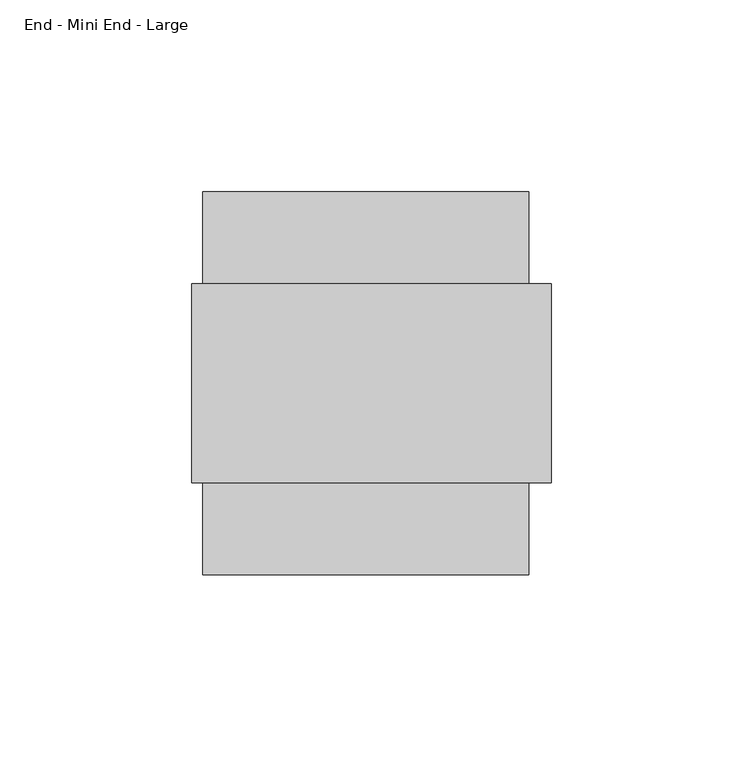
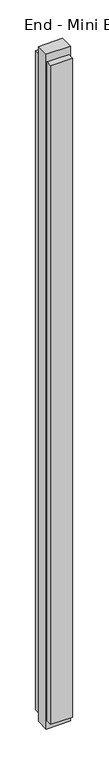
"""IFC4 building model written with IfcOpenShell, lengths in millimetres: furniture geometry, End - Mini End - Large."""

import ifcopenshell
import ifcopenshell.guid

model = None  # the IFC model being written
_history = None  # IfcOwnerHistory: only IFC2X3 demands one
_inside = {}  # id of a spatial element -> (the spatial element, [elements in it])
_under = {}  # id of a project, library or spatial element -> (it, [spatial elements below it])
_declared = {}  # id of a project -> (the project, [libraries it declares])
_typed = {}  # id of a type object -> (the type object, [elements of that type])
_made_of = {}  # id of a material, layer set ... -> (it, [elements and type objects made of it])


def new_model(schema):
    """Start an empty IFC model of exactly this schema.

    Asked for "IFC4X3", IfcOpenShell would pick the latest addendum, in which some entities
    have other attributes; the version numbers below select the first issue.
    IFC2X3 requires an IfcOwnerHistory on every rooted entity: one is made here for all.
    """
    global model, _history
    if schema == "IFC4X3":
        model = ifcopenshell.file(schema_version=(4, 3, 0, 0))
    else:
        model = ifcopenshell.file(schema=schema)
    _inside.clear()
    _under.clear()
    _declared.clear()
    _typed.clear()
    _made_of.clear()
    _history = None
    if model.schema == "IFC2X3":
        org = make("IfcOrganization", Name="unknown")
        user = make(
            "IfcPersonAndOrganization",
            ThePerson=make("IfcPerson", FamilyName="unknown"),
            TheOrganization=org,
        )
        app = make(
            "IfcApplication",
            ApplicationDeveloper=org,
            Version="unknown",
            ApplicationFullName="unknown",
            ApplicationIdentifier="unknown",
        )
        _history = make(
            "IfcOwnerHistory",
            OwningUser=user,
            OwningApplication=app,
            ChangeAction="ADDED",
            CreationDate=0,
        )
    return model


def make(cls, **values):
    """One entity of the class cls with the attributes given. An attribute that is None is left unset."""
    return model.create_entity(
        cls, **{name: value for name, value in values.items() if value is not None}
    )


def rooted(cls, **values):
    """An entity with a GlobalId (a new one), such as an element, a storey or a relation."""
    return make(cls, GlobalId=ifcopenshell.guid.new(), OwnerHistory=_history, **values)


def si_unit(unit_type, name, prefix=None):
    """IfcSIUnit, for example si_unit("LENGTHUNIT", "METRE", prefix="MILLI")."""
    return make("IfcSIUnit", UnitType=unit_type, Prefix=prefix, Name=name)


def assignment(units):
    """IfcUnitAssignment: the units of a project."""
    return None if units is None else make("IfcUnitAssignment", Units=units)


def point(xyz):
    """IfcCartesianPoint."""
    return None if xyz is None else make("IfcCartesianPoint", Coordinates=xyz)


def direction(xyz):
    """IfcDirection."""
    return None if xyz is None else make("IfcDirection", DirectionRatios=xyz)


def frame(location, z_axis=None, x_axis=None):
    """IfcAxis2Placement3D, a coordinate frame: its origin and axes. An axis left out is left unset."""
    return make(
        "IfcAxis2Placement3D",
        Location=point(location),
        Axis=direction(z_axis),
        RefDirection=direction(x_axis),
    )


def origin():
    """The frame at (0, 0, 0) with its axes left unset."""
    return frame((0.0, 0.0, 0.0))


def origin_with_axes():
    """The frame at (0, 0, 0) with the z axis (0, 0, 1) and the x axis (1, 0, 0) written out."""
    return frame((0.0, 0.0, 0.0), z_axis=(0.0, 0.0, 1.0), x_axis=(1.0, 0.0, 0.0))


def place(relative_to, where):
    """IfcLocalPlacement: puts the frame where relative to a parent placement (None: the world)."""
    return make(
        "IfcLocalPlacement", PlacementRelTo=relative_to, RelativePlacement=where
    )


def context(
    kind, dimensions, precision=None, world=None, true_north=None, identifier=None
):
    """IfcGeometricRepresentationContext, for example the 3D "Model" context."""
    return make(
        "IfcGeometricRepresentationContext",
        ContextIdentifier=identifier,
        ContextType=kind,
        CoordinateSpaceDimension=dimensions,
        Precision=precision,
        WorldCoordinateSystem=world,
        TrueNorth=true_north,
    )


def project(units=None, contexts=None):
    """IfcProject with its units and contexts."""
    return rooted(
        "IfcProject",
        Name="project",
        RepresentationContexts=contexts,
        UnitsInContext=assignment(units),
    )


def spatial(cls, under=None, at=None, **own):
    """A site, building, storey or space (cls), placed at a placement, below another one or the project."""
    s = rooted(cls, ObjectPlacement=at, **own)
    if under is not None:
        _under.setdefault(under.id(), (under, []))[1].append(s)
    return s


def polyline(points):
    """IfcPolyline through the points."""
    return make("IfcPolyline", Points=[point(p) for p in points])


def outline(outer, holes=None, kind="AREA"):
    """IfcArbitraryClosedProfileDef: a profile drawn as a closed curve; with holes, ...WithVoids."""
    if holes is None:
        return make("IfcArbitraryClosedProfileDef", ProfileType=kind, OuterCurve=outer)
    return make(
        "IfcArbitraryProfileDefWithVoids",
        ProfileType=kind,
        OuterCurve=outer,
        InnerCurves=holes,
    )


def extrude(swept, where, along, depth):
    """IfcExtrudedAreaSolid: the profile swept, set in the frame where, extruded along a direction by depth."""
    return make(
        "IfcExtrudedAreaSolid",
        SweptArea=swept,
        Position=where,
        ExtrudedDirection=direction(along),
        Depth=depth,
    )


def shape(context_of_items, identifier, shape_type, items):
    """IfcShapeRepresentation: the items that make up one representation, for example the "Body"."""
    return make(
        "IfcShapeRepresentation",
        ContextOfItems=context_of_items,
        RepresentationIdentifier=identifier,
        RepresentationType=shape_type,
        Items=items,
    )


def source(mapping_origin, context_of_items, identifier, shape_type, items):
    """IfcRepresentationMap: a shape defined once, which mapped items show again and again."""
    return make(
        "IfcRepresentationMap",
        MappingOrigin=mapping_origin,
        MappedRepresentation=shape(context_of_items, identifier, shape_type, items),
    )


def transform(
    local_origin,
    x_axis=None,
    y_axis=None,
    z_axis=None,
    scale=None,
    scale2=None,
    scale3=None,
    uniform=True,
):
    """IfcCartesianTransformationOperator3D, or its non-uniform kind. x_axis, y_axis, z_axis: its Axis1, 2, 3."""
    if uniform:
        return make(
            "IfcCartesianTransformationOperator3D",
            Axis1=direction(x_axis),
            Axis2=direction(y_axis),
            LocalOrigin=point(local_origin),
            Scale=scale,
            Axis3=direction(z_axis),
        )
    return make(
        "IfcCartesianTransformationOperator3DnonUniform",
        Axis1=direction(x_axis),
        Axis2=direction(y_axis),
        LocalOrigin=point(local_origin),
        Scale=scale,
        Axis3=direction(z_axis),
        Scale2=scale2,
        Scale3=scale3,
    )


def mapped(mapping_source, mapping_target):
    """IfcMappedItem: shows the shape of a source again, moved by a transform."""
    return make(
        "IfcMappedItem", MappingSource=mapping_source, MappingTarget=mapping_target
    )


def made_of(thing, what):
    """Note that an element or type object is made of a material, layer set ...; save() writes the relation."""
    if what is not None:
        _made_of.setdefault(what.id(), (what, []))[1].append(thing)
    return thing


def element(
    cls,
    number,
    at=None,
    inside=None,
    cuts=None,
    type_object=None,
    material=None,
    context=None,
    identifier="Body",
    shape_type=None,
    held_by="IfcProductDefinitionShape",
    body=None,
    shapes=None,
    **own,
):
    """One element of the class cls, such as IfcWall. Its Tag is "e" and its number.

    at: its placement. inside: the storey or other place that contains it. cuts: it is an
    opening in that element (IfcRelVoidsElement). A single representation is given by context,
    identifier, shape_type and body (its items); several are given by shapes. held_by: the class
    of the entity that holds the representations. save() writes the other relations.
    """
    e = rooted(cls, Tag="e%d" % number, ObjectPlacement=at, **own)
    if body is not None:
        shapes = [shape(context, identifier, shape_type, body)]
    if shapes is not None:
        e.Representation = make(held_by, Representations=shapes)
    if inside is not None:
        _inside.setdefault(inside.id(), (inside, []))[1].append(e)
    if cuts is not None:
        rooted(
            "IfcRelVoidsElement", RelatingBuildingElement=cuts, RelatedOpeningElement=e
        )
    if type_object is not None:
        _typed.setdefault(type_object.id(), (type_object, []))[1].append(e)
    return made_of(e, material)


def aggregate(whole, parts):
    """IfcRelAggregates: a whole, such as a stair, and the parts it consists of."""
    return rooted("IfcRelAggregates", RelatingObject=whole, RelatedObjects=parts)


def save(model, path):
    """Write the relations noted so far, then the file.

    IfcRelAggregates (storeys below a building ...), IfcRelContainedInSpatialStructure (elements
    in a storey), IfcRelDefinesByType, IfcRelAssociatesMaterial and IfcRelDeclares: one each for
    every whole, place, type object, material and project.
    """
    for whole, parts in _under.values():
        aggregate(whole, parts)
    for where, things in _inside.values():
        rooted(
            "IfcRelContainedInSpatialStructure",
            RelatedElements=things,
            RelatingStructure=where,
        )
    for kind, things in _typed.values():
        rooted("IfcRelDefinesByType", RelatedObjects=things, RelatingType=kind)
    for what, things in _made_of.values():
        rooted("IfcRelAssociatesMaterial", RelatedObjects=things, RelatingMaterial=what)
    for by, libraries in _declared.values():
        rooted("IfcRelDeclares", RelatingContext=by, RelatedDefinitions=libraries)
    model.write(path)


def end_mini_end_large_4c003d40(model_context):
    return source(origin(), model_context, "Body", "SweptSolid", [
        extrude(outline(polyline([(-88.2059113, -50.0126), (-173.1943113, -50.0126), (-173.1943113, -25.9969), (-88.2059113, -25.9969), (-88.2059113, -50.0126)])), frame((0.0, 0.0, 32.004), z_axis=(0.0, 0.0, 1.0), x_axis=(1.0, 0.0, 0.0)), (0.0, 0.0, 1.0), 2679.192),
        extrude(outline(polyline([(-88.2059113, 50.0126), (-88.2059113, 25.9969), (-173.1943113, 25.9969), (-173.1943113, 50.0126), (-88.2059113, 50.0126)])), frame((0.0, 0.0, 32.004), z_axis=(0.0, 0.0, 1.0), x_axis=(1.0, 0.0, 0.0)), (0.0, 0.0, 1.0), 2679.192),
        extrude(outline(polyline([(-176.1915113, -25.9969), (-176.1915113, 25.9969), (-82.3131113, 25.9969), (-82.3131113, -25.9969), (-176.1915113, -25.9969)])), origin_with_axes(), (0.0, 0.0, 1.0), 2743.2),
    ])


if __name__ == "__main__":
    model = new_model("IFC4")
    model_context = context("Model", 3, world=origin())
    ifc_project = project(units=[si_unit("LENGTHUNIT", "METRE", prefix="MILLI")], contexts=[model_context])
    site = spatial("IfcSite", under=ifc_project)
    building = spatial("IfcBuilding", under=site)
    placement = place(None, origin())
    end_mini_end_large_shape = end_mini_end_large_4c003d40(model_context)
    element("IfcFurniture", 1, ObjectType="End - Mini End - Large", at=placement, inside=building, context=model_context, shape_type="MappedRepresentation", body=[
        mapped(end_mini_end_large_shape, transform((0.0, 0.0, 0.0), x_axis=(1.0, 0.0, 0.0), y_axis=(0.0, 1.0, 0.0), z_axis=(0.0, 0.0, 1.0))),
    ])
    save(model, "model.ifc")
